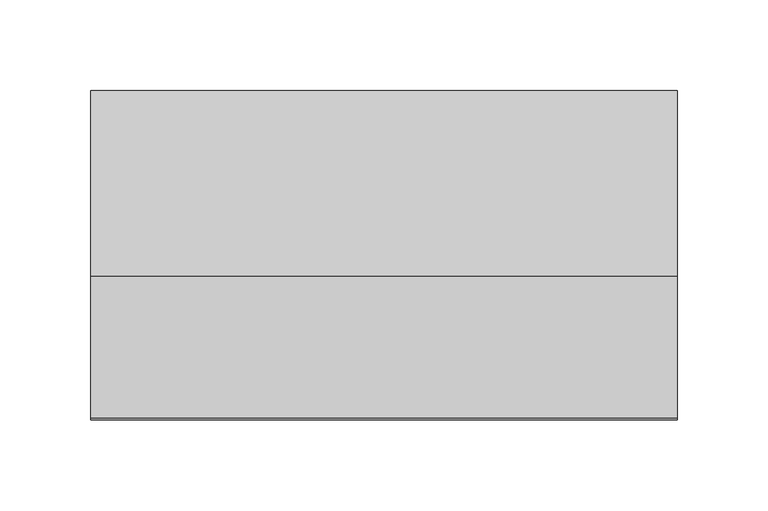
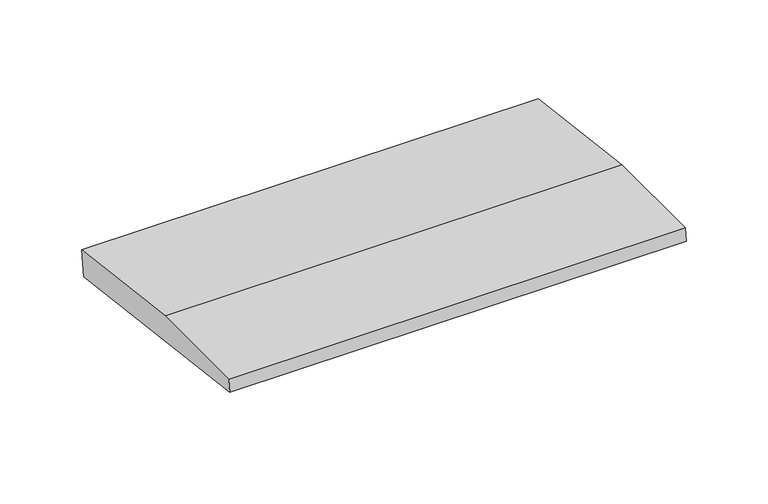
"""IFC4 building model written with IfcOpenShell, lengths in millimetres: beam geometry."""

from ifc_helpers import new_model, si_unit, frame, origin, place, context, project, spatial, polyline, outline, extrude, source, transform, mapped, element, save


def beam_1adccc99(model_context):
    return source(origin(), model_context, "Body", "SweptSolid", [
        extrude(outline(polyline([(0.0, -9.143159), (1.1226388, 0.0), (79.0749747, 0.0), (180.9387048, -12.5072934), (178.6231873, -31.3656703), (0.0, -9.143159)])), frame((-161.0397779, 0.0, 0.0), z_axis=(1.0, 0.0, 0.0), x_axis=(0.0, 1.0, 0.0)), (0.0, 0.0, 1.0), 322.0795559),
    ])


if __name__ == "__main__":
    model = new_model("IFC4")
    model_context = context("Model", 3, world=origin())
    ifc_project = project(units=[si_unit("LENGTHUNIT", "METRE", prefix="MILLI")], contexts=[model_context])
    site = spatial("IfcSite", under=ifc_project)
    building = spatial("IfcBuilding", under=site)
    placement = place(None, origin())
    beam_shape = beam_1adccc99(model_context)
    element("IfcBeam", 1, at=placement, inside=building, context=model_context, shape_type="MappedRepresentation", body=[
        mapped(beam_shape, transform((0.0, 0.0, 0.0), x_axis=(1.0, 0.0, 0.0), y_axis=(0.0, 1.0, 0.0), z_axis=(0.0, 0.0, 1.0))),
    ])
    save(model, "model.ifc")
